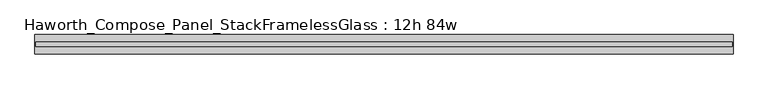
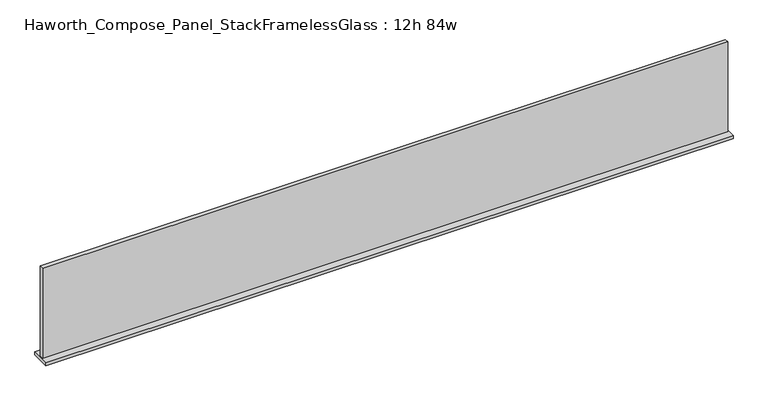
"""IFC4 building model written with IfcOpenShell, lengths in millimetres: furniture geometry, Haworth_Compose_Panel_StackFramelessGlass : 12h 84w."""

from ifc_helpers import new_model, si_unit, frame, origin, place, context, project, spatial, polyline, outline, extrude, source, transform, mapped, element, save


def haworth_compose_panel_stackframelessglass_12h_84w_e4536738(model_context):
    return source(origin(), model_context, "Body", "SweptSolid", [
        extrude(outline(polyline([(1066.0652902, 27.3093594), (1066.0652902, 14.6093594), (-1061.1847098, 14.6093594), (-1061.1847098, 27.3093594), (1066.0652902, 27.3093594)])), frame((0.0, 0.0, 1279.525), z_axis=(0.0, 0.0, 1.0), x_axis=(1.0, 0.0, 0.0)), (0.0, 0.0, 1.0), 295.275),
        extrude(outline(polyline([(-1064.3597098, 50.3281094), (1069.2402902, 50.3281094), (1069.2402902, -8.4093906), (-1064.3597098, -8.4093906), (-1064.3597098, 50.3281094)])), frame((0.0, 0.0, 1270.0), z_axis=(0.0, 0.0, 1.0), x_axis=(1.0, 0.0, 0.0)), (0.0, 0.0, 1.0), 9.525),
    ])


if __name__ == "__main__":
    model = new_model("IFC4")
    model_context = context("Model", 3, world=origin())
    ifc_project = project(units=[si_unit("LENGTHUNIT", "METRE", prefix="MILLI")], contexts=[model_context])
    site = spatial("IfcSite", under=ifc_project)
    building = spatial("IfcBuilding", under=site)
    placement = place(None, origin())
    haworth_compose_panel_stackframelessglass_12h_84w_shape = haworth_compose_panel_stackframelessglass_12h_84w_e4536738(model_context)
    element("IfcFurniture", 1, ObjectType="Haworth_Compose_Panel_StackFramelessGlass : 12h 84w", at=placement, inside=building, context=model_context, shape_type="MappedRepresentation", body=[
        mapped(haworth_compose_panel_stackframelessglass_12h_84w_shape, transform((0.0, 0.0, 0.0), x_axis=(1.0, 0.0, 0.0), y_axis=(0.0, 1.0, 0.0), z_axis=(0.0, 0.0, 1.0))),
    ])
    save(model, "model.ifc")
